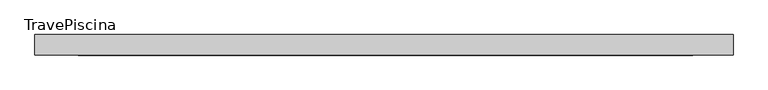
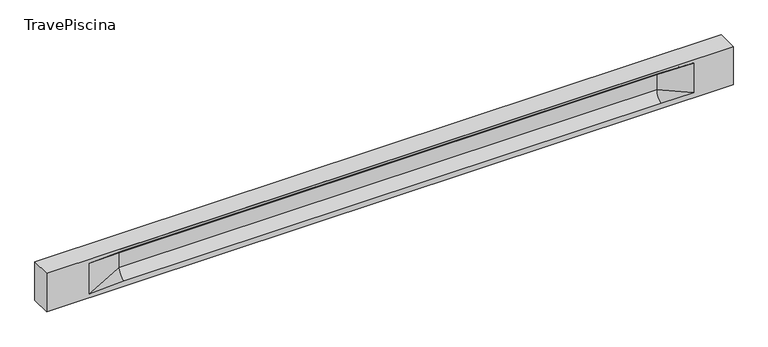
"""IFC4 building model written with IfcOpenShell, lengths in millimetres: beam geometry, TravePiscina."""

from ifc_helpers import new_model, si_unit, frame, origin, place, context, project, spatial, polyline, circle_curve, source, transform, mapped, element, save
from ifc_brep_helpers import plane_surface, revolved_surface, spline_surface, advanced_brep


def travepiscina_d9c37197(model_context):
    return source(origin(), model_context, "Body", "AdvancedBrep", [
        advanced_brep(
        [(8477.0, -250.0, 500.0), (8477.0, -250.0, -500.0), (8477.0, 250.0, -500.0), (8477.0, 250.0, 500.0), (-8477.0, -250.0, 500.0), (-8477.0, -250.0, -500.0), (7502.0, -250.0, -362.0), (6702.0, -250.0, -360.0), (-6577.0, -250.0, -360.0), (-7427.0, -250.0, -400.0), (-7427.0, -250.0, 400.0), (-6577.0, -250.0, 435.0), (6702.0, -250.0, 435.0), (7502.0, -250.0, 400.0), (-8477.0, 250.0, -500.0), (-8477.0, 250.0, 500.0), (7502.0, 250.0, 400.0), (6702.0, 250.0, 435.0), (-6577.0, 250.0, 435.0), (-7427.0, 250.0, 400.0), (-7427.0, 250.0, -400.0), (-6577.0, 250.0, -360.0), (6702.0, 250.0, -360.0), (7502.0, 250.0, -362.0), (6702.0, 155.0, 405.0), (-6577.0, 155.0, 405.0), (-6577.0, -60.0, 262.777021), (6702.0, -60.0, 262.777021), (6702.0, -155.0, 405.0), (-6577.0, -155.0, 405.0), (-6577.0, 60.0, 262.777021), (6702.0, 60.0, 262.777021), (6702.0, 60.0, -120.0), (-6577.0, 60.0, -120.0), (-6577.0, -60.0, -120.0), (6702.0, -60.0, -120.0)],
        [
            (0, 1),
            (1, 2),
            (2, 3),
            (3, 0),
            (0, 4),
            (4, 5),
            (5, 1),
            (6, 7),
            (7, 8),
            (8, 9),
            (9, 10),
            (10, 11),
            (11, 12),
            (12, 13),
            (13, 6),
            (5, 14),
            (14, 2),
            (14, 15),
            (15, 3),
            (16, 17),
            (17, 18),
            (18, 19),
            (19, 20),
            (20, 21),
            (21, 22),
            (22, 23),
            (23, 16),
            (15, 4),
            (17, 24),
            (24, 25),
            (25, 18),
            (26, 27),
            (27, 28, circle_curve(frame((6702.0, -213.9598725, 262.777021), z_axis=(1.0, 0.0, 0.0), x_axis=(0.0, 1.0, 0.0)), 153.9598725)),
            (28, 29),
            (29, 26, circle_curve(frame((-6577.0, -213.9598725, 262.777021), z_axis=(-1.0, 0.0, 0.0), x_axis=(0.0, 1.0, 0.0)), 153.9598725)),
            (30, 31),
            (31, 32),
            (32, 33),
            (33, 30),
            (28, 12),
            (11, 29),
            (34, 35),
            (35, 27),
            (26, 34),
            (25, 19),
            (22, 32, circle_curve(frame((6702.0, 306.5789474, -120.0), z_axis=(-1.0, 0.0, 0.0), x_axis=(0.0, 1.0, 0.0)), 246.5789474)),
            (32, 23),
            (10, 29),
            (10, 26),
            (13, 28),
            (27, 13),
            (30, 19),
            (25, 30, circle_curve(frame((-6577.0, 213.9598725, 262.777021), z_axis=(1.0, 0.0, 0.0), x_axis=(0.0, 1.0, 0.0)), 153.9598725)),
            (9, 34),
            (8, 34, circle_curve(frame((-6577.0, -306.5789474, -120.0), z_axis=(1.0, 0.0, 0.0), x_axis=(0.0, 1.0, 0.0)), 246.5789474)),
            (20, 33),
            (33, 21, circle_curve(frame((-6577.0, 306.5789474, -120.0), z_axis=(1.0, 0.0, 0.0), x_axis=(0.0, 1.0, 0.0)), 246.5789474)),
            (35, 6),
            (35, 7, circle_curve(frame((6702.0, -306.5789474, -120.0), z_axis=(-1.0, 0.0, 0.0), x_axis=(0.0, 1.0, 0.0)), 246.5789474)),
            (31, 16),
            (31, 24, circle_curve(frame((6702.0, 213.9598725, 262.777021), z_axis=(-1.0, 0.0, 0.0), x_axis=(0.0, 1.0, 0.0)), 153.9598725)),
            (24, 16),
        ],
        [
            plane_surface(frame((8477.0, 0.0, 0.0), z_axis=(1.0, 0.0, 0.0), x_axis=(0.0, 0.0, 1.0))),
            plane_surface(frame((8477.0, -250.0, 500.0), z_axis=(0.0, -1.0, 0.0), x_axis=(-1.0, 0.0, 0.0))),
            plane_surface(frame((8477.0, -250.0, -500.0), z_axis=(0.0, 0.0, -1.0), x_axis=(-1.0, 0.0, 0.0))),
            plane_surface(frame((8477.0, 250.0, -500.0), z_axis=(0.0, 1.0, 0.0), x_axis=(-1.0, 0.0, 0.0))),
            plane_surface(frame((8477.0, 250.0, 500.0), z_axis=(0.0, 0.0, 1.0), x_axis=(-1.0, 0.0, 0.0))),
            plane_surface(frame((-6577.0, 250.0, 435.0), z_axis=(0.0, 0.30113136793710954, -0.9535826651341378), x_axis=(1.0, 0.0, 0.0))),
            plane_surface(frame((-8477.0, 0.0, 0.0), z_axis=(-1.0, 0.0, 0.0), x_axis=(0.0, 0.0, 1.0))),
            revolved_surface(polyline([(6702.0, -60.0, 262.777021), (-6577.0, -60.0, 262.777021)]), (-6577.0, -213.9598725, 262.777021), (1.0, 0.0, 0.0)),
            plane_surface(frame((-6577.0, 60.0, 262.777021), z_axis=(0.0, 1.0, 0.0), x_axis=(1.0, 0.0, 0.0))),
            plane_surface(frame((-6577.0, -155.0, 405.0), z_axis=(0.0, -0.30113136793710693, -0.9535826651341387), x_axis=(1.0, 0.0, 0.0))),
            plane_surface(frame((-6577.0, -60.0, -120.0), z_axis=(0.0, -1.0, 0.0), x_axis=(1.0, 0.0, 0.0))),
            plane_surface(frame((-7427.0, 250.0, 400.0), z_axis=(0.03923493491469444, 0.30089950084952793, -0.9528484193567961), x_axis=(0.0, 0.9535826651341378, 0.30113136793710954))),
            spline_surface(2, 1, [[(6702.0, 250.0, -360.0), (7502.0, 250.0, -362.0)], [(6702.0, 60.00000002887427, -315.20833329480604), (7502.0, 250.0, -362.0)], [(6702.0, 60.0, -120.0), (7502.0, 250.0, -362.0)]], [3, 3], [2, 2], [0.0, 1.0], [0.0, 1.0], weights=[[1.0, 1.0], [0.7840458245391329, 0.7840458245391329], [1.0, 1.0]]),
            plane_surface(frame((-7427.0, -250.0, 400.0), z_axis=(0.03923493491469448, -0.3008995008495253, -0.952848419356797), x_axis=(0.0, 0.9535826651341387, -0.30113136793710693))),
            spline_surface(2, 1, [[(-7427.0, -250.0, 400.0), (-6577.0, -155.0, 405.0)], [(-7427.0, -250.0, 400.0), (-6577.0, -60.00000008030692, 365.6168572114734)], [(-7427.0, -250.0, 400.0), (-6577.0, -60.0, 262.777021)]], [3, 3], [2, 2], [0.0, 1.0], [0.0, 1.0], weights=[[1.0, 1.0], [0.8315515924557569, 0.8315515924557569], [1.0, 1.0]]),
            spline_surface(2, 1, [[(6702.0, -155.0, 405.0), (7502.0, -250.0, 400.0)], [(6702.0, -60.00000008030692, 365.6168572114734), (7502.0, -250.0, 400.0)], [(6702.0, -60.0, 262.777021), (7502.0, -250.0, 400.0)]], [3, 3], [2, 2], [0.0, 1.0], [0.0, 1.0], weights=[[1.0, 1.0], [0.8315515924557569, 0.8315515924557569], [1.0, 1.0]]),
            plane_surface(frame((6702.0, -202.5, 420.0), z_axis=(-0.041682982855687514, -0.30086965068766125, -0.9527538938442274), x_axis=(0.0, 0.9535826651341387, -0.30113136793710693))),
            spline_surface(2, 1, [[(-7427.0, 250.0, 400.0), (-6577.0, 60.0, 262.777021)], [(-7427.0, 250.0, 400.0), (-6577.0, 59.99999995452379, 365.6168572954922)], [(-7427.0, 250.0, 400.0), (-6577.0, 155.0, 405.0)]], [3, 3], [2, 2], [0.0, 1.0], [0.0, 1.0], weights=[[1.0, 1.0], [0.8315515921160737, 0.8315515921160737], [1.0, 1.0]]),
            plane_surface(frame((-7427.0, -250.0, 0.0), z_axis=(0.21814596370705283, -0.975916153426267, 0.0), x_axis=(0.0, 0.0, -1.0))),
            spline_surface(2, 1, [[(-7427.0, -250.0, -400.0), (-6577.0, -60.0, -120.0)], [(-7427.0, -250.0, -400.0), (-6577.0, -59.99999998020837, -315.20833333333337)], [(-7427.0, -250.0, -400.0), (-6577.0, -250.0, -360.0)]], [3, 3], [2, 2], [0.0, 1.0], [0.0, 1.0], weights=[[1.0, 1.0], [0.7840458244617614, 0.7840458244617614], [1.0, 1.0]]),
            spline_surface(2, 1, [[(-7427.0, 250.0, -400.0), (-6577.0, 250.0, -360.0)], [(-7427.0, 250.0, -400.0), (-6577.0, 60.00000002887427, -315.20833329480604)], [(-7427.0, 250.0, -400.0), (-6577.0, 60.0, -120.0)]], [3, 3], [2, 2], [0.0, 1.0], [0.0, 1.0], weights=[[1.0, 1.0], [0.7840458245391329, 0.7840458245391329], [1.0, 1.0]]),
            plane_surface(frame((-7427.0, 250.0, 0.0), z_axis=(0.21814596370704872, 0.975916153426268, 0.0), x_axis=(0.0, 0.0, 1.0))),
            plane_surface(frame((6702.0, -60.0, 71.3885105), z_axis=(-0.23107243079589768, -0.9729365507195602, 0.0), x_axis=(0.0, 0.0, -1.0))),
            spline_surface(2, 1, [[(6702.0, -60.0, -120.0), (7502.0, -250.0, -362.0)], [(6702.0, -59.99999998020837, -315.20833333333337), (7502.0, -250.0, -362.0)], [(6702.0, -250.0, -360.0), (7502.0, -250.0, -362.0)]], [3, 3], [2, 2], [0.0, 1.0], [0.0, 1.0], weights=[[1.0, 1.0], [0.7840458244617614, 0.7840458244617614], [1.0, 1.0]]),
            plane_surface(frame((6702.0, 60.0, 71.3885105), z_axis=(-0.2310724307958912, 0.9729365507195616, 0.0), x_axis=(0.0, 0.0, 1.0))),
            spline_surface(2, 1, [[(6702.0, 60.0, 262.777021), (7502.0, 250.0, 400.0)], [(6702.0, 59.99999995452379, 365.6168572954922), (7502.0, 250.0, 400.0)], [(6702.0, 155.0, 405.0), (7502.0, 250.0, 400.0)]], [3, 3], [2, 2], [0.0, 1.0], [0.0, 1.0], weights=[[1.0, 1.0], [0.8315515921160737, 0.8315515921160737], [1.0, 1.0]]),
            plane_surface(frame((6702.0, 202.5, 420.0), z_axis=(-0.04168298285568677, 0.30086965068766386, -0.9527538938442265), x_axis=(0.0, 0.9535826651341378, 0.30113136793710954))),
            revolved_surface(polyline([(6702.0, 367.919745, 262.777021), (-6577.0, 367.919745, 262.777021)]), (-6577.0, 213.9598725, 262.777021), (1.0, 0.0, 0.0)),
            revolved_surface(polyline([(6702.0, 553.1578948, -120.0), (-6577.0, 553.1578948, -120.0)]), (-6577.0, 306.5789474, -120.0), (1.0, 0.0, 0.0)),
            revolved_surface(polyline([(6702.0, -60.0, -120.0), (-6577.0, -60.0, -120.0)]), (-6577.0, -306.5789474, -120.0), (1.0, 0.0, 0.0)),
        ],
        [
            (0, [[1, 2, 3, 4]]),
            (1, [[-1, 5, 6, 7], [8, 9, 10, 11, 12, 13, 14, 15]]),
            (2, [[-2, -7, 16, 17]]),
            (3, [[-3, -17, 18, 19], [20, 21, 22, 23, 24, 25, 26, 27]]),
            (4, [[-5, -4, -19, 28]]),
            (5, [[-21, 29, 30, 31]]),
            (6, [[-28, -18, -16, -6]]),
            (7, [[32, 33, 34, 35]]),
            (8, [[36, 37, 38, 39]]),
            (9, [[-34, 40, -13, 41]]),
            (10, [[42, 43, -32, 44]]),
            (11, [[45, -22, -31]]),
            (12, [[-26, 46, 47]]),
            (13, [[-12, 48, -41]]),
            (14, [[-48, 49, -35]]),
            (15, [[50, -33, 51]]),
            (16, [[-14, -40, -50]]),
            (17, [[52, -45, 53]]),
            (18, [[-49, -11, 54, -44]]),
            (19, [[-54, -10, 55]]),
            (20, [[-24, 56, 57]]),
            (21, [[-52, -39, -56, -23]]),
            (22, [[-51, -43, 58, -15]]),
            (23, [[-58, 59, -8]]),
            (24, [[-47, -37, 60, -27]]),
            (25, [[-60, 61, 62]]),
            (26, [[-62, -29, -20]]),
            (27, [[-30, -61, -36, -53]]),
            (28, [[-38, -46, -25, -57]]),
            (29, [[-9, -59, -42, -55]]),
        ],
    ),
    ])


if __name__ == "__main__":
    model = new_model("IFC4")
    model_context = context("Model", 3, world=origin())
    ifc_project = project(units=[si_unit("LENGTHUNIT", "METRE", prefix="MILLI")], contexts=[model_context])
    site = spatial("IfcSite", under=ifc_project)
    building = spatial("IfcBuilding", under=site)
    placement = place(None, origin())
    travepiscina_shape = travepiscina_d9c37197(model_context)
    element("IfcBeam", 1, ObjectType="TravePiscina", at=placement, inside=building, context=model_context, shape_type="MappedRepresentation", body=[
        mapped(travepiscina_shape, transform((0.0, 0.0, 0.0), x_axis=(1.0, 0.0, 0.0), y_axis=(0.0, 1.0, 0.0), z_axis=(0.0, 0.0, 1.0))),
    ])
    save(model, "model.ifc")
